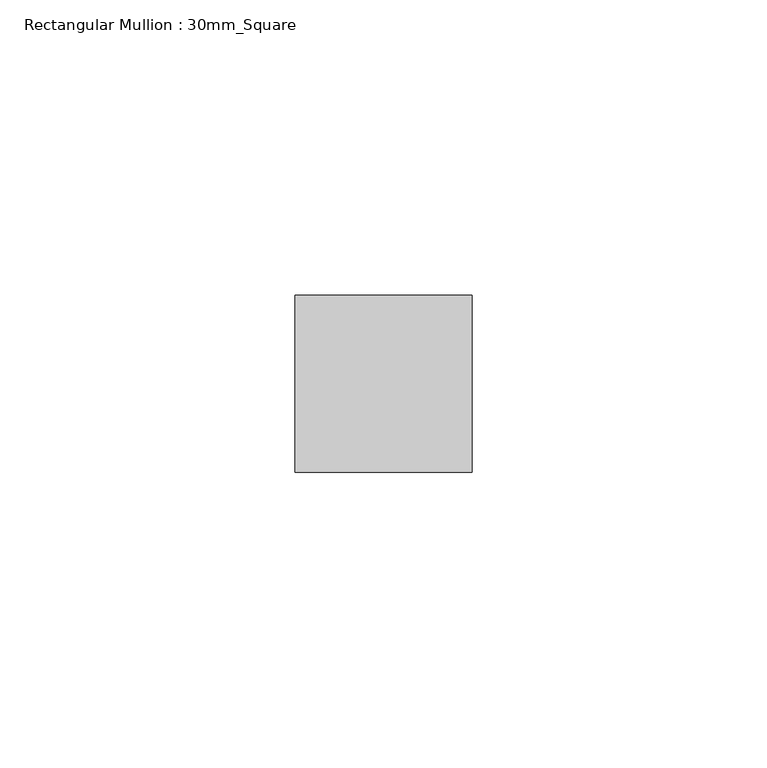
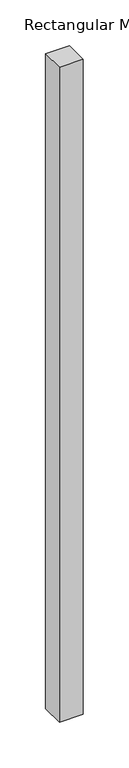
"""IFC4 building model written with IfcOpenShell, lengths in millimetres: member geometry, Rectangular Mullion : 30mm_Square."""

from ifc_helpers import new_model, si_unit, frame, origin, place, context, project, spatial, polyline, outline, extrude, source, transform, mapped, element, save


def rectangular_mullion_30mm_square_4575ddc6(model_context):
    return source(origin(), model_context, "Body", "SweptSolid", [
        extrude(outline(polyline([(15.0, 15.0), (15.0, -15.0), (-15.0, -15.0), (-15.0, 15.0), (15.0, 15.0)])), frame((0.0, 0.0, -872.6923611), z_axis=(0.0, 0.0, 1.0), x_axis=(1.0, 0.0, 0.0)), (0.0, 0.0, 1.0), 872.6923611),
    ])


if __name__ == "__main__":
    model = new_model("IFC4")
    model_context = context("Model", 3, world=origin())
    ifc_project = project(units=[si_unit("LENGTHUNIT", "METRE", prefix="MILLI")], contexts=[model_context])
    site = spatial("IfcSite", under=ifc_project)
    building = spatial("IfcBuilding", under=site)
    placement = place(None, origin())
    rectangular_mullion_30mm_square_shape = rectangular_mullion_30mm_square_4575ddc6(model_context)
    element("IfcMember", 1, ObjectType="Rectangular Mullion : 30mm_Square", at=placement, inside=building, context=model_context, shape_type="MappedRepresentation", body=[
        mapped(rectangular_mullion_30mm_square_shape, transform((0.0, 0.0, 0.0), x_axis=(1.0, 0.0, 0.0), y_axis=(0.0, 1.0, 0.0), z_axis=(0.0, 0.0, 1.0))),
    ])
    save(model, "model.ifc")
